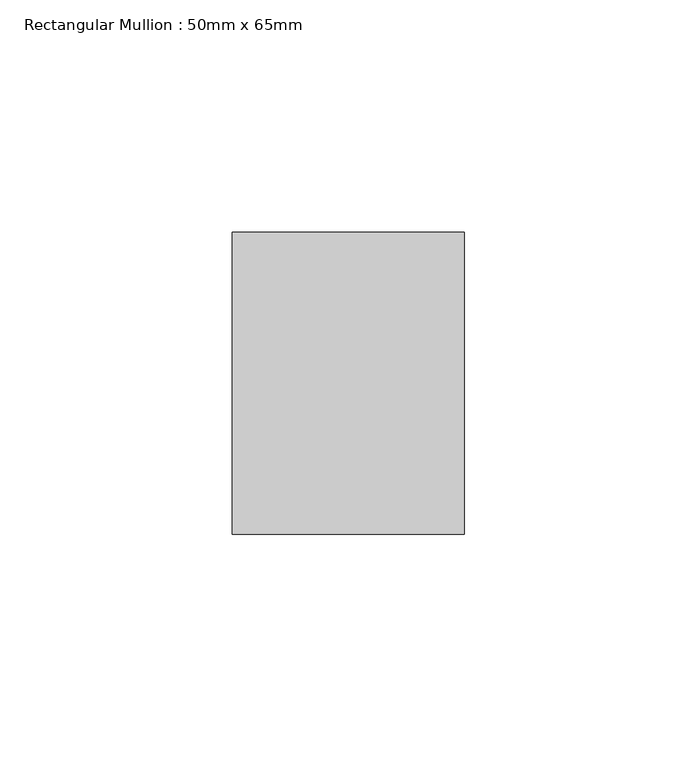
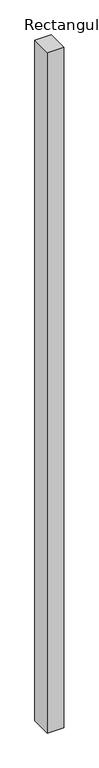
"""IFC4 building model written with IfcOpenShell, lengths in millimetres: member geometry, Rectangular Mullion : 50mm x 65mm."""

from ifc_helpers import new_model, si_unit, frame, origin, place, context, project, spatial, polyline, outline, extrude, source, transform, mapped, element, save


def rectangular_mullion_50mm_x_65mm_e63af474(model_context):
    return source(origin(), model_context, "Body", "SweptSolid", [
        extrude(outline(polyline([(25.0, 32.5), (25.0, -32.5), (-25.0, -32.5), (-25.0, 32.5), (25.0, 32.5)])), frame((0.0, 0.0, -2186.9739895), z_axis=(0.0, 0.0, 1.0), x_axis=(1.0, 0.0, 0.0)), (0.0, 0.0, 1.0), 2186.9739895),
    ])


if __name__ == "__main__":
    model = new_model("IFC4")
    model_context = context("Model", 3, world=origin())
    ifc_project = project(units=[si_unit("LENGTHUNIT", "METRE", prefix="MILLI")], contexts=[model_context])
    site = spatial("IfcSite", under=ifc_project)
    building = spatial("IfcBuilding", under=site)
    placement = place(None, origin())
    rectangular_mullion_50mm_x_65mm_shape = rectangular_mullion_50mm_x_65mm_e63af474(model_context)
    element("IfcMember", 1, ObjectType="Rectangular Mullion : 50mm x 65mm", at=placement, inside=building, context=model_context, shape_type="MappedRepresentation", body=[
        mapped(rectangular_mullion_50mm_x_65mm_shape, transform((0.0, 0.0, 0.0), x_axis=(1.0, 0.0, 0.0), y_axis=(0.0, 1.0, 0.0), z_axis=(0.0, 0.0, 1.0))),
    ])
    save(model, "model.ifc")
